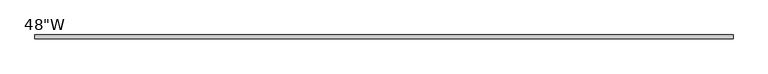
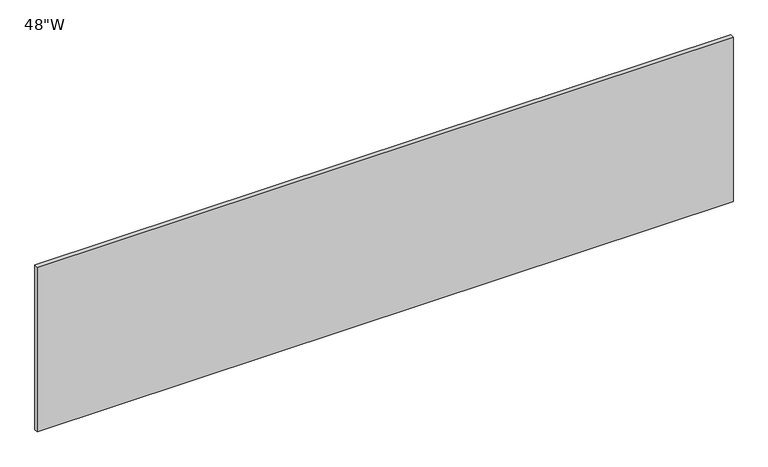
"""IFC4 building model written with IfcOpenShell, lengths in millimetres: furniture geometry."""

from ifc_helpers import new_model, si_unit, frame, origin, place, context, project, spatial, polyline, outline, extrude, source, transform, mapped, element, save


def furniture_78dc57b8(model_context):
    return source(origin(), model_context, "Body", "SweptSolid", [
        extrude(outline(polyline([(596.9, -6.35), (-596.9, -6.35), (-596.9, 0.0), (596.9, 0.0), (596.9, -6.35)])), frame((0.0, 0.0, 1733.55), z_axis=(0.0, 0.0, 1.0), x_axis=(1.0, 0.0, 0.0)), (0.0, 0.0, 1.0), 298.45),
    ])


if __name__ == "__main__":
    model = new_model("IFC4")
    model_context = context("Model", 3, world=origin())
    ifc_project = project(units=[si_unit("LENGTHUNIT", "METRE", prefix="MILLI")], contexts=[model_context])
    site = spatial("IfcSite", under=ifc_project)
    building = spatial("IfcBuilding", under=site)
    placement = place(None, origin())
    furniture_shape = furniture_78dc57b8(model_context)
    element("IfcFurniture", 1, ObjectType="48\"W", at=placement, inside=building, context=model_context, shape_type="MappedRepresentation", body=[
        mapped(furniture_shape, transform((0.0, 0.0, 0.0), x_axis=(1.0, 0.0, 0.0), y_axis=(0.0, 1.0, 0.0), z_axis=(0.0, 0.0, 1.0))),
    ])
    save(model, "model.ifc")
